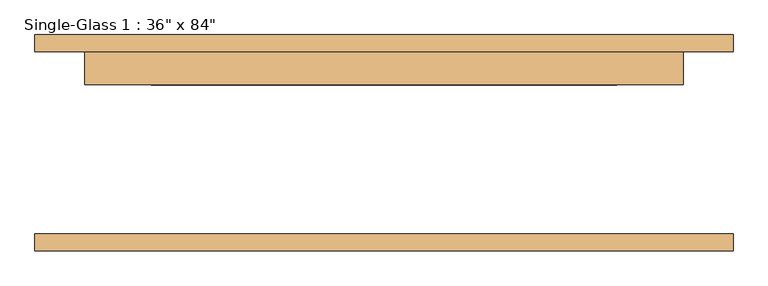
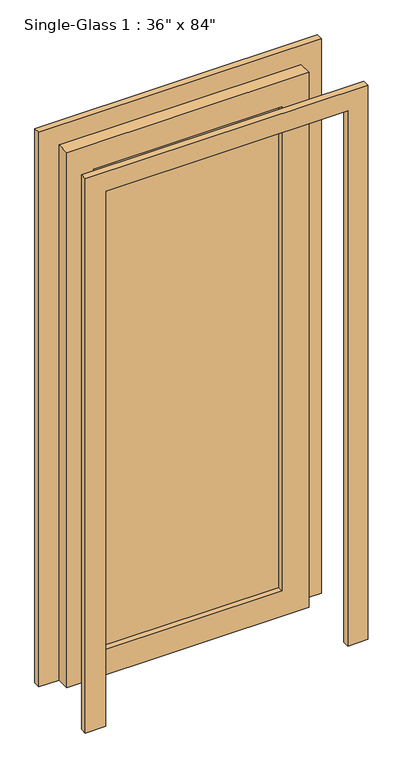
"""IFC4 building model written with IfcOpenShell, lengths in millimetres: door geometry."""

import ifcopenshell
import ifcopenshell.guid

model = None  # the IFC model being written
_history = None  # IfcOwnerHistory: only IFC2X3 demands one
_inside = {}  # id of a spatial element -> (the spatial element, [elements in it])
_under = {}  # id of a project, library or spatial element -> (it, [spatial elements below it])
_declared = {}  # id of a project -> (the project, [libraries it declares])
_typed = {}  # id of a type object -> (the type object, [elements of that type])
_made_of = {}  # id of a material, layer set ... -> (it, [elements and type objects made of it])


def new_model(schema):
    """Start an empty IFC model of exactly this schema.

    Asked for "IFC4X3", IfcOpenShell would pick the latest addendum, in which some entities
    have other attributes; the version numbers below select the first issue.
    IFC2X3 requires an IfcOwnerHistory on every rooted entity: one is made here for all.
    """
    global model, _history
    if schema == "IFC4X3":
        model = ifcopenshell.file(schema_version=(4, 3, 0, 0))
    else:
        model = ifcopenshell.file(schema=schema)
    _inside.clear()
    _under.clear()
    _declared.clear()
    _typed.clear()
    _made_of.clear()
    _history = None
    if model.schema == "IFC2X3":
        org = make("IfcOrganization", Name="unknown")
        user = make(
            "IfcPersonAndOrganization",
            ThePerson=make("IfcPerson", FamilyName="unknown"),
            TheOrganization=org,
        )
        app = make(
            "IfcApplication",
            ApplicationDeveloper=org,
            Version="unknown",
            ApplicationFullName="unknown",
            ApplicationIdentifier="unknown",
        )
        _history = make(
            "IfcOwnerHistory",
            OwningUser=user,
            OwningApplication=app,
            ChangeAction="ADDED",
            CreationDate=0,
        )
    return model


def make(cls, **values):
    """One entity of the class cls with the attributes given. An attribute that is None is left unset."""
    return model.create_entity(
        cls, **{name: value for name, value in values.items() if value is not None}
    )


def rooted(cls, **values):
    """An entity with a GlobalId (a new one), such as an element, a storey or a relation."""
    return make(cls, GlobalId=ifcopenshell.guid.new(), OwnerHistory=_history, **values)


def si_unit(unit_type, name, prefix=None):
    """IfcSIUnit, for example si_unit("LENGTHUNIT", "METRE", prefix="MILLI")."""
    return make("IfcSIUnit", UnitType=unit_type, Prefix=prefix, Name=name)


def assignment(units):
    """IfcUnitAssignment: the units of a project."""
    return None if units is None else make("IfcUnitAssignment", Units=units)


def point(xyz):
    """IfcCartesianPoint."""
    return None if xyz is None else make("IfcCartesianPoint", Coordinates=xyz)


def direction(xyz):
    """IfcDirection."""
    return None if xyz is None else make("IfcDirection", DirectionRatios=xyz)


def frame(location, z_axis=None, x_axis=None):
    """IfcAxis2Placement3D, a coordinate frame: its origin and axes. An axis left out is left unset."""
    return make(
        "IfcAxis2Placement3D",
        Location=point(location),
        Axis=direction(z_axis),
        RefDirection=direction(x_axis),
    )


def origin():
    """The frame at (0, 0, 0) with its axes left unset."""
    return frame((0.0, 0.0, 0.0))


def place(relative_to, where):
    """IfcLocalPlacement: puts the frame where relative to a parent placement (None: the world)."""
    return make(
        "IfcLocalPlacement", PlacementRelTo=relative_to, RelativePlacement=where
    )


def context(
    kind, dimensions, precision=None, world=None, true_north=None, identifier=None
):
    """IfcGeometricRepresentationContext, for example the 3D "Model" context."""
    return make(
        "IfcGeometricRepresentationContext",
        ContextIdentifier=identifier,
        ContextType=kind,
        CoordinateSpaceDimension=dimensions,
        Precision=precision,
        WorldCoordinateSystem=world,
        TrueNorth=true_north,
    )


def project(units=None, contexts=None):
    """IfcProject with its units and contexts."""
    return rooted(
        "IfcProject",
        Name="project",
        RepresentationContexts=contexts,
        UnitsInContext=assignment(units),
    )


def spatial(cls, under=None, at=None, **own):
    """A site, building, storey or space (cls), placed at a placement, below another one or the project."""
    s = rooted(cls, ObjectPlacement=at, **own)
    if under is not None:
        _under.setdefault(under.id(), (under, []))[1].append(s)
    return s


def polyline(points):
    """IfcPolyline through the points."""
    return make("IfcPolyline", Points=[point(p) for p in points])


def outline(outer, holes=None, kind="AREA"):
    """IfcArbitraryClosedProfileDef: a profile drawn as a closed curve; with holes, ...WithVoids."""
    if holes is None:
        return make("IfcArbitraryClosedProfileDef", ProfileType=kind, OuterCurve=outer)
    return make(
        "IfcArbitraryProfileDefWithVoids",
        ProfileType=kind,
        OuterCurve=outer,
        InnerCurves=holes,
    )


def extrude(swept, where, along, depth):
    """IfcExtrudedAreaSolid: the profile swept, set in the frame where, extruded along a direction by depth."""
    return make(
        "IfcExtrudedAreaSolid",
        SweptArea=swept,
        Position=where,
        ExtrudedDirection=direction(along),
        Depth=depth,
    )


def shape(context_of_items, identifier, shape_type, items):
    """IfcShapeRepresentation: the items that make up one representation, for example the "Body"."""
    return make(
        "IfcShapeRepresentation",
        ContextOfItems=context_of_items,
        RepresentationIdentifier=identifier,
        RepresentationType=shape_type,
        Items=items,
    )


def source(mapping_origin, context_of_items, identifier, shape_type, items):
    """IfcRepresentationMap: a shape defined once, which mapped items show again and again."""
    return make(
        "IfcRepresentationMap",
        MappingOrigin=mapping_origin,
        MappedRepresentation=shape(context_of_items, identifier, shape_type, items),
    )


def transform(
    local_origin,
    x_axis=None,
    y_axis=None,
    z_axis=None,
    scale=None,
    scale2=None,
    scale3=None,
    uniform=True,
):
    """IfcCartesianTransformationOperator3D, or its non-uniform kind. x_axis, y_axis, z_axis: its Axis1, 2, 3."""
    if uniform:
        return make(
            "IfcCartesianTransformationOperator3D",
            Axis1=direction(x_axis),
            Axis2=direction(y_axis),
            LocalOrigin=point(local_origin),
            Scale=scale,
            Axis3=direction(z_axis),
        )
    return make(
        "IfcCartesianTransformationOperator3DnonUniform",
        Axis1=direction(x_axis),
        Axis2=direction(y_axis),
        LocalOrigin=point(local_origin),
        Scale=scale,
        Axis3=direction(z_axis),
        Scale2=scale2,
        Scale3=scale3,
    )


def mapped(mapping_source, mapping_target):
    """IfcMappedItem: shows the shape of a source again, moved by a transform."""
    return make(
        "IfcMappedItem", MappingSource=mapping_source, MappingTarget=mapping_target
    )


def made_of(thing, what):
    """Note that an element or type object is made of a material, layer set ...; save() writes the relation."""
    if what is not None:
        _made_of.setdefault(what.id(), (what, []))[1].append(thing)
    return thing


def element(
    cls,
    number,
    at=None,
    inside=None,
    cuts=None,
    type_object=None,
    material=None,
    context=None,
    identifier="Body",
    shape_type=None,
    held_by="IfcProductDefinitionShape",
    body=None,
    shapes=None,
    **own,
):
    """One element of the class cls, such as IfcWall. Its Tag is "e" and its number.

    at: its placement. inside: the storey or other place that contains it. cuts: it is an
    opening in that element (IfcRelVoidsElement). A single representation is given by context,
    identifier, shape_type and body (its items); several are given by shapes. held_by: the class
    of the entity that holds the representations. save() writes the other relations.
    """
    e = rooted(cls, Tag="e%d" % number, ObjectPlacement=at, **own)
    if body is not None:
        shapes = [shape(context, identifier, shape_type, body)]
    if shapes is not None:
        e.Representation = make(held_by, Representations=shapes)
    if inside is not None:
        _inside.setdefault(inside.id(), (inside, []))[1].append(e)
    if cuts is not None:
        rooted(
            "IfcRelVoidsElement", RelatingBuildingElement=cuts, RelatedOpeningElement=e
        )
    if type_object is not None:
        _typed.setdefault(type_object.id(), (type_object, []))[1].append(e)
    return made_of(e, material)


def aggregate(whole, parts):
    """IfcRelAggregates: a whole, such as a stair, and the parts it consists of."""
    return rooted("IfcRelAggregates", RelatingObject=whole, RelatedObjects=parts)


def save(model, path):
    """Write the relations noted so far, then the file.

    IfcRelAggregates (storeys below a building ...), IfcRelContainedInSpatialStructure (elements
    in a storey), IfcRelDefinesByType, IfcRelAssociatesMaterial and IfcRelDeclares: one each for
    every whole, place, type object, material and project.
    """
    for whole, parts in _under.values():
        aggregate(whole, parts)
    for where, things in _inside.values():
        rooted(
            "IfcRelContainedInSpatialStructure",
            RelatedElements=things,
            RelatingStructure=where,
        )
    for kind, things in _typed.values():
        rooted("IfcRelDefinesByType", RelatedObjects=things, RelatingType=kind)
    for what, things in _made_of.values():
        rooted("IfcRelAssociatesMaterial", RelatedObjects=things, RelatingMaterial=what)
    for by, libraries in _declared.values():
        rooted("IfcRelDeclares", RelatingContext=by, RelatedDefinitions=libraries)
    model.write(path)


def door_f30ea3b0(model_context):
    return source(origin(), model_context, "Body", "SweptSolid", [
        extrude(outline(polyline([(2133.6, 457.2), (0.0, 457.2), (0.0, 533.4), (2209.8, 533.4), (2209.8, -533.4), (0.0, -533.4), (0.0, -457.2), (2133.6, -457.2), (2133.6, 457.2)])), frame((0.0, -165.1, 0.0), z_axis=(0.0, 1.0, 0.0), x_axis=(0.0, 0.0, 1.0)), (0.0, 0.0, 1.0), 25.4),
        extrude(outline(polyline([(2133.6, 457.2), (0.0, 457.2), (0.0, 533.4), (2209.8, 533.4), (2209.8, -533.4), (0.0, -533.4), (0.0, -457.2), (2133.6, -457.2), (2133.6, 457.2)])), frame((0.0, 139.7, 0.0), z_axis=(0.0, 1.0, 0.0), x_axis=(0.0, 0.0, 1.0)), (0.0, 0.0, 1.0), 25.4),
        extrude(outline(polyline([(355.6, 111.125), (-355.6, 111.125), (-355.6, 117.475), (355.6, 117.475), (355.6, 111.125)])), frame((0.0, 0.0, 101.6), z_axis=(0.0, 0.0, 1.0), x_axis=(1.0, 0.0, 0.0)), (0.0, 0.0, 1.0), 1930.4),
        extrude(outline(polyline([(2133.6, 457.2), (2133.6, -457.2), (0.0, -457.2), (0.0, 457.2), (2133.6, 457.2)]), holes=[polyline([(2032.0, -355.6), (2032.0, 355.6), (101.6, 355.6), (101.6, -355.6), (2032.0, -355.6)])]), frame((0.0, 88.9, 0.0), z_axis=(0.0, 1.0, 0.0), x_axis=(0.0, 0.0, 1.0)), (0.0, 0.0, 1.0), 50.8),
    ])


if __name__ == "__main__":
    model = new_model("IFC4")
    model_context = context("Model", 3, world=origin())
    ifc_project = project(units=[si_unit("LENGTHUNIT", "METRE", prefix="MILLI")], contexts=[model_context])
    site = spatial("IfcSite", under=ifc_project)
    building = spatial("IfcBuilding", under=site)
    placement = place(None, origin())
    door_shape = door_f30ea3b0(model_context)
    element("IfcDoor", 1, ObjectType="Single-Glass 1 : 36\" x 84\"", at=placement, inside=building, context=model_context, shape_type="MappedRepresentation", body=[
        mapped(door_shape, transform((0.0, 0.0, 0.0), x_axis=(1.0, 0.0, 0.0), y_axis=(0.0, 1.0, 0.0), z_axis=(0.0, 0.0, 1.0))),
    ])
    save(model, "model.ifc")
